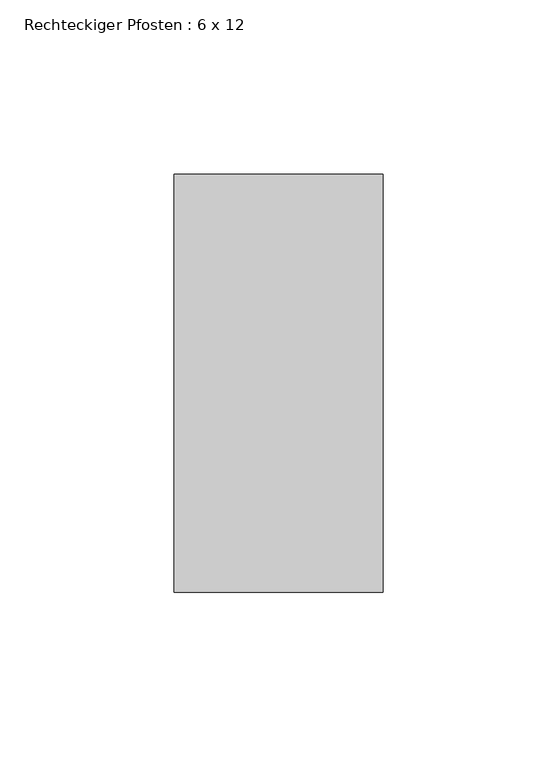
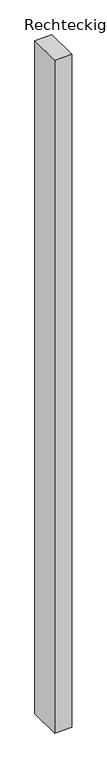
"""IFC4 building model written with IfcOpenShell, lengths in millimetres: member geometry, Rechteckiger Pfosten : 6 x 12."""

from ifc_helpers import new_model, si_unit, frame, origin, place, context, project, spatial, polyline, outline, extrude, source, transform, mapped, element, save


def rechteckiger_pfosten_6_x_12_151507fc(model_context):
    return source(origin(), model_context, "Body", "SweptSolid", [
        extrude(outline(polyline([(0.0, 60.0), (0.0, -60.0), (-60.0, -60.0), (-60.0, 60.0), (0.0, 60.0)])), frame((0.0, 0.0, -2500.0), z_axis=(0.0, 0.0, 1.0), x_axis=(1.0, 0.0, 0.0)), (0.0, 0.0, 1.0), 2500.0),
    ])


if __name__ == "__main__":
    model = new_model("IFC4")
    model_context = context("Model", 3, world=origin())
    ifc_project = project(units=[si_unit("LENGTHUNIT", "METRE", prefix="MILLI")], contexts=[model_context])
    site = spatial("IfcSite", under=ifc_project)
    building = spatial("IfcBuilding", under=site)
    placement = place(None, origin())
    rechteckiger_pfosten_6_x_12_shape = rechteckiger_pfosten_6_x_12_151507fc(model_context)
    element("IfcMember", 1, ObjectType="Rechteckiger Pfosten : 6 x 12", at=placement, inside=building, context=model_context, shape_type="MappedRepresentation", body=[
        mapped(rechteckiger_pfosten_6_x_12_shape, transform((0.0, 0.0, 0.0), x_axis=(1.0, 0.0, 0.0), y_axis=(0.0, 1.0, 0.0), z_axis=(0.0, 0.0, 1.0))),
    ])
    save(model, "model.ifc")
